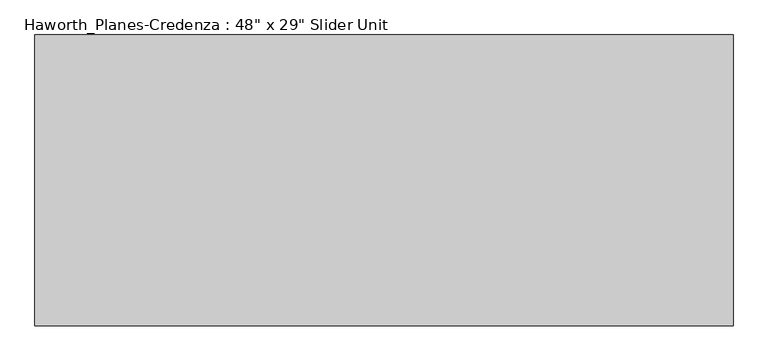
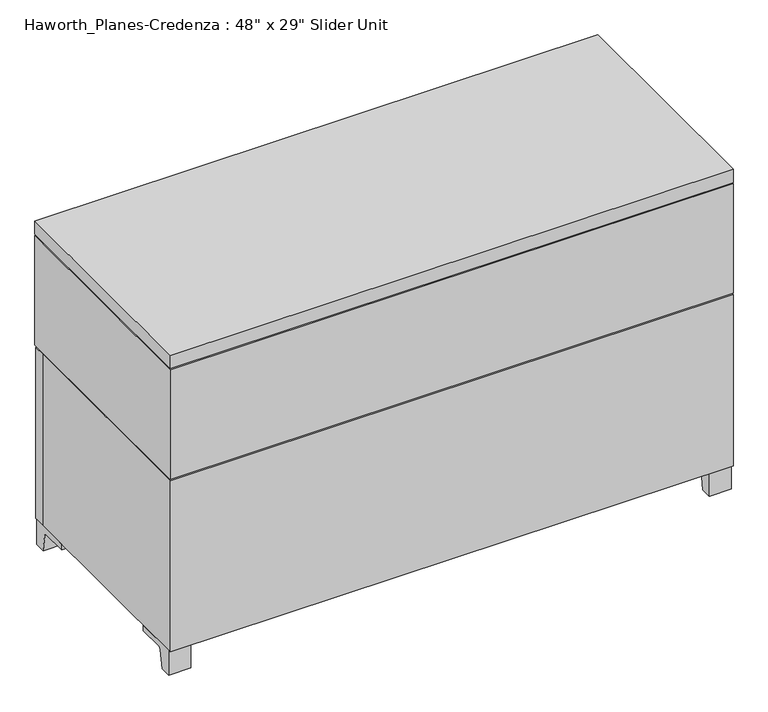
"""IFC4 building model written with IfcOpenShell, lengths in millimetres: furniture geometry."""

from ifc_helpers import new_model, si_unit, point, frame, frame_2d, origin, place, context, project, spatial, polyline, circle_curve, trimmed, segment, composite_curve, outline, extrude, faceted_brep, source, transform, mapped, element, save


def furniture_8cabbe4c(model_context):
    return source(origin(), model_context, "Body", "SolidModel", [
        extrude(outline(composite_curve([segment(polyline([(368.5593029, 0.0), (362.0353139, 39.1439336)]), True, "CONTINUOUS"), segment(trimmed(circle_curve(frame_2d((355.7717125, 38.1)), 6.35), [point((362.0353139, 39.1439336))], [point((355.7717125, 44.45))], True, "CARTESIAN"), True, "CONTINUOUS"), segment(polyline([(355.7717125, 44.45), (297.650956, 44.45), (297.650956, 57.15), (392.900956, 57.15), (392.900956, 0.0), (368.5593029, 0.0)]), True, "CONTINUOUS")], self_intersect=False)), frame((877.5480475, 0.0, 0.0), z_axis=(1.0, 0.0, 0.0), x_axis=(0.0, 1.0, 0.0)), (0.0, 0.0, 1.0), 47.625),
        extrude(outline(composite_curve([segment(polyline([(-78.0573909, 0.0), (-102.399044, 0.0), (-102.399044, 57.15), (-7.149044, 57.15), (-7.149044, 44.45), (-65.2698006, 44.45)]), True, "CONTINUOUS"), segment(trimmed(circle_curve(frame_2d((-65.2698006, 38.1)), 6.35), [point((-65.2698006, 44.45))], [point((-71.533402, 39.1439336))], True, "CARTESIAN"), True, "CONTINUOUS"), segment(polyline([(-71.533402, 39.1439336), (-78.0573909, 0.0)]), True, "CONTINUOUS")], self_intersect=False)), frame((877.5480475, 0.0, 0.0), z_axis=(1.0, 0.0, 0.0), x_axis=(0.0, 1.0, 0.0)), (0.0, 0.0, 1.0), 47.625),
        extrude(outline(composite_curve([segment(polyline([(368.5593029, 0.0), (362.0353139, 39.1439336)]), True, "CONTINUOUS"), segment(trimmed(circle_curve(frame_2d((355.7717125, 38.1)), 6.35), [point((362.0353139, 39.1439336))], [point((355.7717125, 44.45))], True, "CARTESIAN"), True, "CONTINUOUS"), segment(polyline([(355.7717125, 44.45), (297.650956, 44.45), (297.650956, 57.15), (392.900956, 57.15), (392.900956, 0.0), (368.5593029, 0.0)]), True, "CONTINUOUS")], self_intersect=False)), frame((-294.0269525, 0.0, 0.0), z_axis=(1.0, 0.0, 0.0), x_axis=(0.0, 1.0, 0.0)), (0.0, 0.0, 1.0), 47.625),
        extrude(outline(composite_curve([segment(polyline([(-78.0573909, 0.0), (-102.399044, 0.0), (-102.399044, 57.15), (-7.149044, 57.15), (-7.149044, 44.45), (-65.2698006, 44.45)]), True, "CONTINUOUS"), segment(trimmed(circle_curve(frame_2d((-65.2698006, 38.1)), 6.35), [point((-65.2698006, 44.45))], [point((-71.533402, 39.1439336))], True, "CARTESIAN"), True, "CONTINUOUS"), segment(polyline([(-71.533402, 39.1439336), (-78.0573909, 0.0)]), True, "CONTINUOUS")], self_intersect=False)), frame((-294.0269525, 0.0, 0.0), z_axis=(1.0, 0.0, 0.0), x_axis=(0.0, 1.0, 0.0)), (0.0, 0.0, 1.0), 47.625),
        extrude(outline(polyline([(517.9792975, 396.075956), (517.9792975, 370.675956), (113.1667975, 370.675956), (113.1667975, 396.075956), (517.9792975, 396.075956)])), frame((0.0, 0.0, 57.15), z_axis=(0.0, 0.0, 1.0), x_axis=(1.0, 0.0, 0.0)), (0.0, 0.0, 1.0), 392.1125),
        extrude(outline(polyline([(-294.0269525, 396.075956), (110.7855475, 396.075956), (110.7855475, 370.675956), (-294.0269525, 370.675956), (-294.0269525, 396.075956)])), frame((0.0, 0.0, 57.15), z_axis=(0.0, 0.0, 1.0), x_axis=(1.0, 0.0, 0.0)), (0.0, 0.0, 1.0), 392.1125),
        extrude(outline(polyline([(925.1730475, 396.075956), (925.1730475, 370.675956), (520.3605475, 370.675956), (520.3605475, 396.075956), (925.1730475, 396.075956)])), frame((0.0, 0.0, 57.15), z_axis=(0.0, 0.0, 1.0), x_axis=(1.0, 0.0, 0.0)), (0.0, 0.0, 1.0), 392.1125),
        extrude(outline(polyline([(852.1480478, 389.7259439), (853.7355463, 377.025956), (844.2105486, 377.025956), (845.7980471, 389.7259439), (852.1480478, 389.7259439)])), frame((0.0, 0.0, 504.825), z_axis=(0.0, 0.0, 1.0), x_axis=(1.0, 0.0, 0.0)), (0.0, 0.0, 1.0), 149.225),
        extrude(outline(polyline([(-214.6519522, 396.0759439), (-213.0644537, 383.375956), (-222.5894514, 383.375956), (-221.0019529, 396.0759439), (-214.6519522, 396.0759439)])), frame((0.0, 0.0, 504.825), z_axis=(0.0, 0.0, 1.0), x_axis=(1.0, 0.0, 0.0)), (0.0, 0.0, 1.0), 149.225),
        extrude(outline(polyline([(-268.6269525, 377.025956), (-268.6269525, 383.375956), (328.2730475, 383.375956), (328.2730475, 377.025956), (-268.6269525, 377.025956)])), frame((0.0, 0.0, 477.8375), z_axis=(0.0, 0.0, 1.0), x_axis=(1.0, 0.0, 0.0)), (0.0, 0.0, 1.0), 203.2),
        extrude(outline(polyline([(302.8730475, 370.675956), (302.8730475, 377.025956), (899.7730475, 377.025956), (899.7730475, 370.675956), (302.8730475, 370.675956)])), frame((0.0, 0.0, 477.8375), z_axis=(0.0, 0.0, 1.0), x_axis=(1.0, 0.0, 0.0)), (0.0, 0.0, 1.0), 203.2),
        faceted_brep([(-294.0269525, 370.675956, 449.2625), (-268.6269525, 370.675956, 449.2625), (-268.6269525, 370.675956, 452.4375), (899.7730475, 370.675956, 452.4375), (899.7730475, 370.675956, 449.2625), (925.1730475, 370.675956, 449.2625), (925.1730475, 370.675956, 57.15), (-294.0269525, 370.675956, 57.15), (-294.0269525, -108.749044, 449.2625), (-294.0269525, -108.749044, 57.15), (925.1730475, -108.749044, 57.15), (925.1730475, -108.749044, 449.2625), (899.7730475, -83.349044, 449.2625), (-268.6269525, -83.349044, 449.2625), (-268.6269525, -83.349044, 452.4375), (899.7730475, -83.349044, 452.4375)], [[[0, 1, 2, 3, 4, 5, 6, 7]], [[8, 9, 10, 11]], [[7, 9, 8, 0]], [[6, 10, 9, 7]], [[5, 11, 10, 6]], [[11, 5, 4, 12, 13, 1, 0, 8]], [[14, 13, 12, 15]], [[1, 13, 14, 2]], [[3, 15, 12, 4]], [[2, 14, 15, 3]]]),
        faceted_brep([(899.7730475, 399.250956, 706.4375), (899.7730475, 399.250956, 703.2625), (925.1730475, 399.250956, 703.2625), (925.1730475, 399.250956, 452.4375), (-294.0269525, 399.250956, 452.4375), (-294.0269525, 399.250956, 703.2625), (-268.6269525, 399.250956, 703.2625), (-268.6269525, 399.250956, 706.4375), (899.7730475, 399.250956, 681.0375), (-268.6269525, 399.250956, 681.0375), (-268.6269525, 399.250956, 477.8375), (899.7730475, 399.250956, 477.8375), (899.7730475, -83.349044, 706.4375), (-268.6269525, -83.349044, 706.4375), (-268.6269525, -83.349044, 703.2625), (899.7730475, -83.349044, 703.2625), (-294.0269525, -108.749044, 452.4375), (-294.0269525, -108.749044, 703.2625), (925.1730475, -108.749044, 452.4375), (925.1730475, -108.749044, 703.2625), (899.7730475, -83.349044, 477.8375), (899.7730475, -83.349044, 681.0375), (-268.6269525, -83.349044, 477.8375), (-268.6269525, -83.349044, 681.0375)], [[[0, 1, 2, 3, 4, 5, 6, 7], [8, 9, 10, 11]], [[12, 13, 14, 15]], [[7, 13, 12, 0]], [[4, 16, 17, 5]], [[3, 18, 16, 4]], [[2, 19, 18, 3]], [[11, 20, 21, 8]], [[10, 22, 20, 11]], [[9, 23, 22, 10]], [[8, 21, 23, 9]], [[20, 22, 23, 21]], [[19, 17, 16, 18]], [[6, 14, 13, 7]], [[17, 19, 2, 1, 15, 14, 6, 5]], [[0, 12, 15, 1]]]),
        extrude(outline(polyline([(925.1730475, -108.749044), (-294.0269525, -108.749044), (-294.0269525, 399.250956), (925.1730475, 399.250956), (925.1730475, -108.749044)])), frame((0.0, 0.0, 706.4375), z_axis=(0.0, 0.0, 1.0), x_axis=(1.0, 0.0, 0.0)), (0.0, 0.0, 1.0), 30.1625),
    ])


if __name__ == "__main__":
    model = new_model("IFC4")
    model_context = context("Model", 3, world=origin())
    ifc_project = project(units=[si_unit("LENGTHUNIT", "METRE", prefix="MILLI")], contexts=[model_context])
    site = spatial("IfcSite", under=ifc_project)
    building = spatial("IfcBuilding", under=site)
    placement = place(None, origin())
    furniture_shape = furniture_8cabbe4c(model_context)
    element("IfcFurniture", 1, ObjectType="Haworth_Planes-Credenza : 48\" x 29\" Slider Unit", at=placement, inside=building, context=model_context, shape_type="MappedRepresentation", body=[
        mapped(furniture_shape, transform((0.0, 0.0, 0.0), x_axis=(1.0, 0.0, 0.0), y_axis=(0.0, 1.0, 0.0), z_axis=(0.0, 0.0, 1.0))),
    ])
    save(model, "model.ifc")
